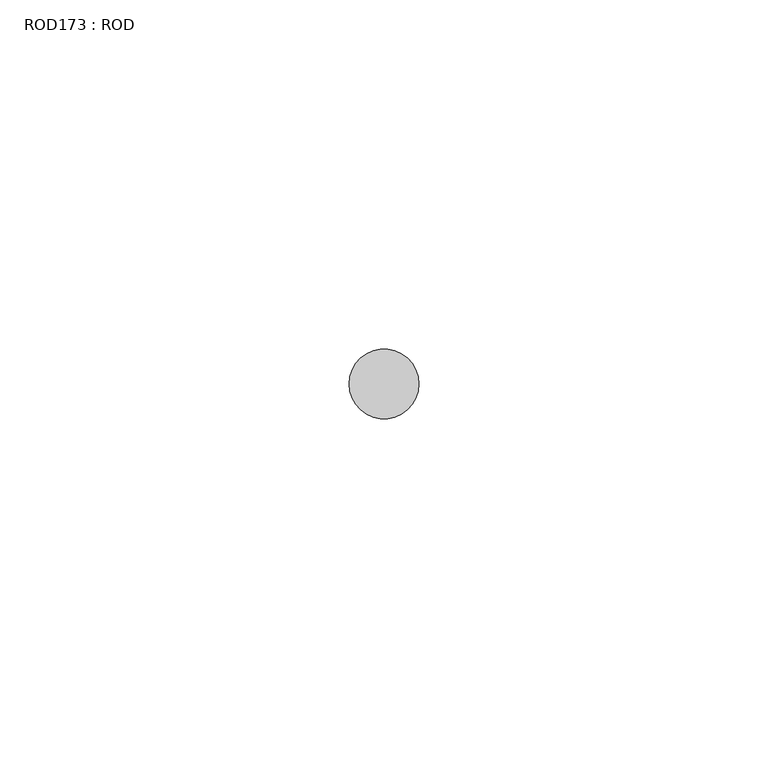
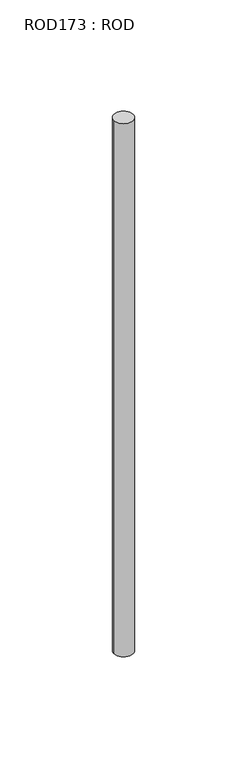
"""IFC4 building model written with IfcOpenShell, lengths in millimetres: proxy geometry, ROD173 : ROD."""

from ifc_helpers import new_model, si_unit, point, frame, frame_2d, origin, place, context, project, spatial, circle_curve, trimmed, segment, composite_curve, outline, extrude, source, transform, mapped, element, save


def rod173_rod_de6b5269(model_context):
    return source(origin(), model_context, "Body", "SweptSolid", [
        extrude(outline(composite_curve([segment(trimmed(circle_curve(frame_2d((8699.7673324, -21766.6028424)), 5.0), [point((8694.7673324, -21766.6028424))], [point((8704.7673324, -21766.6028424))], False, "CARTESIAN"), True, "CONTINUOUS"), segment(trimmed(circle_curve(frame_2d((8699.7673324, -21766.6028424)), 5.0), [point((8704.7673324, -21766.6028424))], [point((8694.7673324, -21766.6028424))], False, "CARTESIAN"), True, "CONTINUOUS")], self_intersect=False)), frame((0.0, 0.0, 166.3391155), z_axis=(0.0, 0.0, 1.0), x_axis=(1.0, 0.0, 0.0)), (0.0, 0.0, 1.0), 298.9028972),
    ])


if __name__ == "__main__":
    model = new_model("IFC4")
    model_context = context("Model", 3, world=origin())
    ifc_project = project(units=[si_unit("LENGTHUNIT", "METRE", prefix="MILLI")], contexts=[model_context])
    site = spatial("IfcSite", under=ifc_project)
    building = spatial("IfcBuilding", under=site)
    placement = place(None, origin())
    rod173_rod_shape = rod173_rod_de6b5269(model_context)
    element("IfcBuildingElementProxy", 1, Name="ROD173 : ROD", ObjectType="ROD173 : ROD", at=placement, inside=building, context=model_context, shape_type="MappedRepresentation", body=[
        mapped(rod173_rod_shape, transform((0.0, 0.0, 0.0), x_axis=(1.0, 0.0, 0.0), y_axis=(0.0, 1.0, 0.0), z_axis=(0.0, 0.0, 1.0))),
    ])
    save(model, "model.ifc")
